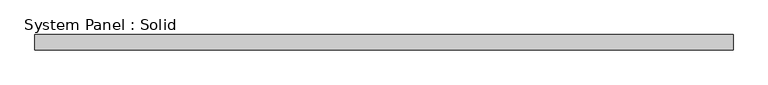
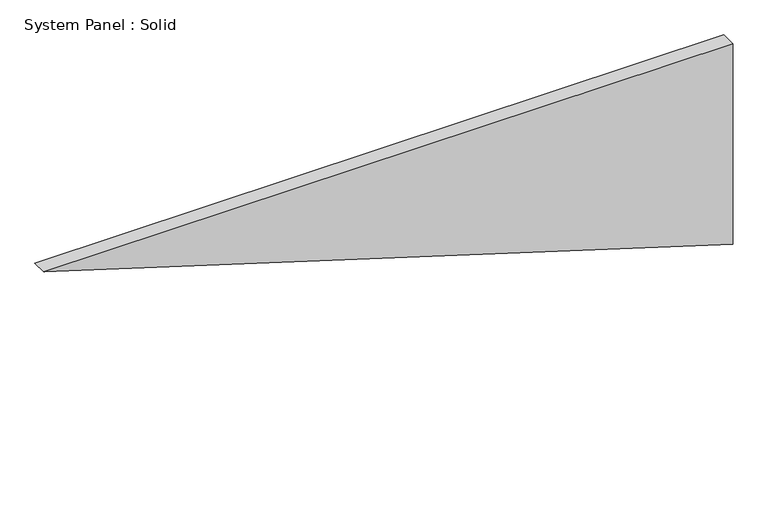
"""IFC4 building model written with IfcOpenShell, lengths in millimetres: plate geometry, System Panel : Solid."""

from ifc_helpers import new_model, si_unit, frame, origin, place, context, project, spatial, polyline, outline, extrude, source, transform, mapped, element, save


def system_panel_solid_0d4dc1e6(model_context):
    return source(origin(), model_context, "Body", "SweptSolid", [
        extrude(outline(polyline([(828.4103788, -1345.6016437), (0.0, 1345.6016437), (828.4103788, 1345.6016437), (828.4103788, -1345.6016437)])), frame((0.0, -10.5, 0.0), z_axis=(0.0, 1.0, 0.0), x_axis=(0.0, 0.0, 1.0)), (0.0, 0.0, 1.0), 60.0),
    ])


if __name__ == "__main__":
    model = new_model("IFC4")
    model_context = context("Model", 3, world=origin())
    ifc_project = project(units=[si_unit("LENGTHUNIT", "METRE", prefix="MILLI")], contexts=[model_context])
    site = spatial("IfcSite", under=ifc_project)
    building = spatial("IfcBuilding", under=site)
    placement = place(None, origin())
    system_panel_solid_shape = system_panel_solid_0d4dc1e6(model_context)
    element("IfcPlate", 1, ObjectType="System Panel : Solid", at=placement, inside=building, context=model_context, shape_type="MappedRepresentation", body=[
        mapped(system_panel_solid_shape, transform((0.0, 0.0, 0.0), x_axis=(1.0, 0.0, 0.0), y_axis=(0.0, 1.0, 0.0), z_axis=(0.0, 0.0, 1.0))),
    ])
    save(model, "model.ifc")
